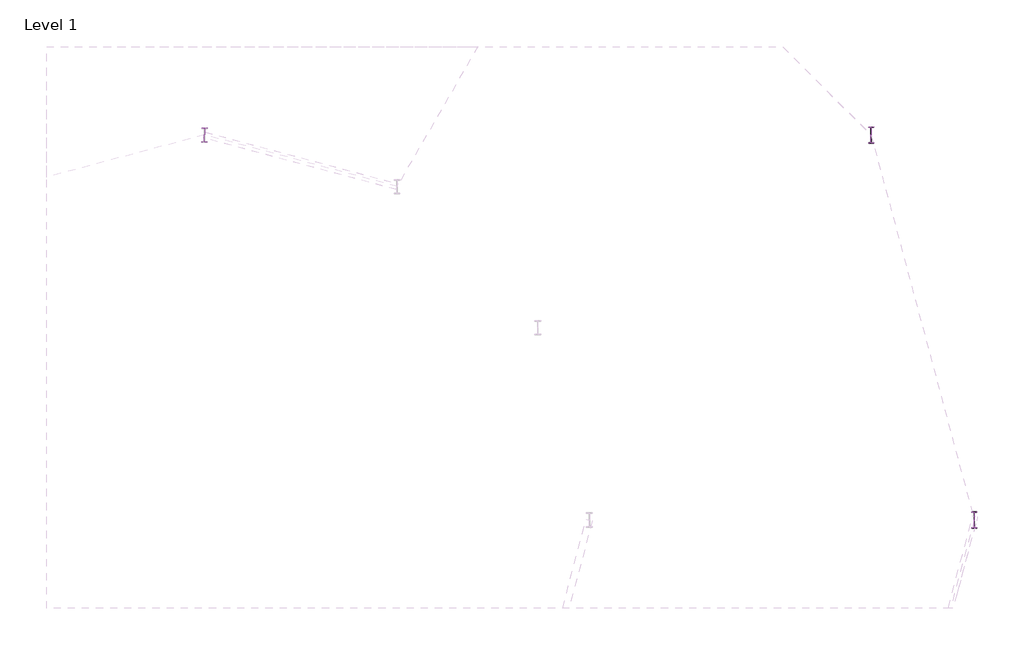
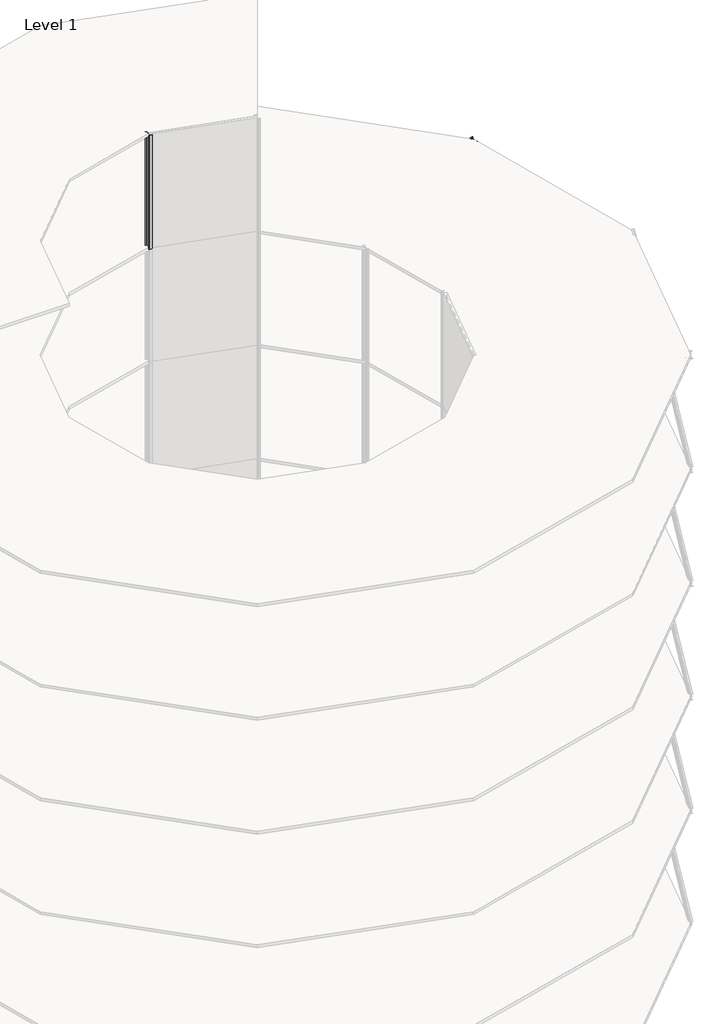
# One storey, part 8 of 9: 19 columns.
"""IFC4 building model written with IfcOpenShell, lengths in millimetres."""

from ifc_helpers import new_model, si_unit, point, frame, frame_2d, origin, origin_with_axes, place, context, project, spatial, polyline, circle_curve, ellipse_curve, trimmed, segment, composite_curve, outline, extrude, element, save
from ifc_brep_helpers import plane_surface, revolved_surface, advanced_brep

model = new_model("IFC4")

# Units and contexts
model_context = context("Model", 3, world=origin())
ifc_project = project(units=[si_unit("LENGTHUNIT", "METRE", prefix="MILLI")], contexts=[model_context])

# Site, building, storey
site = spatial("IfcSite", under=ifc_project)
building = spatial("IfcBuilding", under=site)
storey = spatial("IfcBuildingStorey", under=building, Name="Level 1", Elevation=0.0)

# Columns
placement = place(None, origin())
element("IfcColumn", 1, ObjectType="w shapes-column : W18X60", at=placement, inside=storey, context=model_context, shape_type="SweptSolid", body=[
    extrude(outline(composite_curve([segment(polyline([(96.012, 12731.1404), (96.012, 12713.3604), (15.494, 12713.3604)]), True, "CONTINUOUS"), segment(trimmed(circle_curve(frame_2d((15.494, 12703.2004)), 10.16), [point((15.494, 12713.3604))], [point((5.334, 12703.2004))], True, "CARTESIAN"), True, "CONTINUOUS"), segment(polyline([(5.334, 12703.2004), (5.334, 12296.8004)]), True, "CONTINUOUS"), segment(trimmed(circle_curve(frame_2d((15.494, 12296.8004)), 10.16), [point((5.334, 12296.8004))], [point((15.494, 12286.6404))], True, "CARTESIAN"), True, "CONTINUOUS"), segment(polyline([(15.494, 12286.6404), (96.012, 12286.6404), (96.012, 12268.8604), (-96.012, 12268.8604), (-96.012, 12286.6404), (-15.494, 12286.6404)]), True, "CONTINUOUS"), segment(trimmed(circle_curve(frame_2d((-15.494, 12296.8004)), 10.16), [point((-15.494, 12286.6404))], [point((-5.334, 12296.8004))], True, "CARTESIAN"), True, "CONTINUOUS"), segment(polyline([(-5.334, 12296.8004), (-5.334, 12703.2004)]), True, "CONTINUOUS"), segment(trimmed(circle_curve(frame_2d((-15.494, 12703.2004)), 10.16), [point((-5.334, 12703.2004))], [point((-15.494, 12713.3604))], True, "CARTESIAN"), True, "CONTINUOUS"), segment(polyline([(-15.494, 12713.3604), (-96.012, 12713.3604), (-96.012, 12731.1404), (96.012, 12731.1404)]), True, "CONTINUOUS")], self_intersect=False)), frame((0.0, 0.0, 48000.001536), z_axis=(0.0, 0.0, 1.0), x_axis=(1.0, 0.0, 0.0)), (0.0, 0.0, 1.0), 8000.000256),
])
element("IfcColumn", 2, ObjectType="w shapes-column : W21X50", at=placement, inside=storey, context=model_context, shape_type="SweptSolid", body=[
    extrude(outline(composite_curve([segment(polyline([(25082.9318, 264.16), (25082.9318, 250.444), (25017.5268, 250.444)]), True, "CONTINUOUS"), segment(trimmed(circle_curve(frame_2d((25017.5268, 237.744)), 12.7), [point((25017.5268, 250.444))], [point((25004.8268, 237.744))], True, "CARTESIAN"), True, "CONTINUOUS"), segment(polyline([(25004.8268, 237.744), (25004.8268, -237.744)]), True, "CONTINUOUS"), segment(trimmed(circle_curve(frame_2d((25017.5268, -237.744)), 12.7), [point((25004.8268, -237.744))], [point((25017.5268, -250.444))], True, "CARTESIAN"), True, "CONTINUOUS"), segment(polyline([(25017.5268, -250.444), (25082.9318, -250.444), (25082.9318, -264.16), (24917.0698, -264.16), (24917.0698, -250.444), (24982.4748, -250.444)]), True, "CONTINUOUS"), segment(trimmed(circle_curve(frame_2d((24982.4748, -237.744)), 12.7), [point((24982.4748, -250.444))], [point((24995.1748, -237.744))], True, "CARTESIAN"), True, "CONTINUOUS"), segment(polyline([(24995.1748, -237.744), (24995.1748, 237.744)]), True, "CONTINUOUS"), segment(trimmed(circle_curve(frame_2d((24982.4748, 237.744)), 12.7), [point((24995.1748, 237.744))], [point((24982.4748, 250.444))], True, "CARTESIAN"), True, "CONTINUOUS"), segment(polyline([(24982.4748, 250.444), (24917.0698, 250.444), (24917.0698, 264.16), (25082.9318, 264.16)]), True, "CONTINUOUS")], self_intersect=False)), origin_with_axes(), (0.0, 0.0, 1.0), 8000.000256),
])
element("IfcColumn", 3, ObjectType="w shapes-column : W21X50", at=placement, inside=storey, context=model_context, shape_type="SweptSolid", body=[
    extrude(outline(composite_curve([segment(polyline([(25082.9318, 264.16), (25082.9318, 250.444), (25017.5268, 250.444)]), True, "CONTINUOUS"), segment(trimmed(circle_curve(frame_2d((25017.5268, 237.744)), 12.7), [point((25017.5268, 250.444))], [point((25004.8268, 237.744))], True, "CARTESIAN"), True, "CONTINUOUS"), segment(polyline([(25004.8268, 237.744), (25004.8268, -237.744)]), True, "CONTINUOUS"), segment(trimmed(circle_curve(frame_2d((25017.5268, -237.744)), 12.7), [point((25004.8268, -237.744))], [point((25017.5268, -250.444))], True, "CARTESIAN"), True, "CONTINUOUS"), segment(polyline([(25017.5268, -250.444), (25082.9318, -250.444), (25082.9318, -264.16), (24917.0698, -264.16), (24917.0698, -250.444), (24982.4748, -250.444)]), True, "CONTINUOUS"), segment(trimmed(circle_curve(frame_2d((24982.4748, -237.744)), 12.7), [point((24982.4748, -250.444))], [point((24995.1748, -237.744))], True, "CARTESIAN"), True, "CONTINUOUS"), segment(polyline([(24995.1748, -237.744), (24995.1748, 237.744)]), True, "CONTINUOUS"), segment(trimmed(circle_curve(frame_2d((24982.4748, 237.744)), 12.7), [point((24995.1748, 237.744))], [point((24982.4748, 250.444))], True, "CARTESIAN"), True, "CONTINUOUS"), segment(polyline([(24982.4748, 250.444), (24917.0698, 250.444), (24917.0698, 264.16), (25082.9318, 264.16)]), True, "CONTINUOUS")], self_intersect=False)), frame((0.0, 0.0, 8000.000256), z_axis=(0.0, 0.0, 1.0), x_axis=(1.0, 0.0, 0.0)), (0.0, 0.0, 1.0), 8000.000256),
])
element("IfcColumn", 4, ObjectType="w shapes-column : W21X50", at=placement, inside=storey, context=model_context, shape_type="SweptSolid", body=[
    extrude(outline(composite_curve([segment(polyline([(25082.9318, 264.16), (25082.9318, 250.444), (25017.5268, 250.444)]), True, "CONTINUOUS"), segment(trimmed(circle_curve(frame_2d((25017.5268, 237.744)), 12.7), [point((25017.5268, 250.444))], [point((25004.8268, 237.744))], True, "CARTESIAN"), True, "CONTINUOUS"), segment(polyline([(25004.8268, 237.744), (25004.8268, -237.744)]), True, "CONTINUOUS"), segment(trimmed(circle_curve(frame_2d((25017.5268, -237.744)), 12.7), [point((25004.8268, -237.744))], [point((25017.5268, -250.444))], True, "CARTESIAN"), True, "CONTINUOUS"), segment(polyline([(25017.5268, -250.444), (25082.9318, -250.444), (25082.9318, -264.16), (24917.0698, -264.16), (24917.0698, -250.444), (24982.4748, -250.444)]), True, "CONTINUOUS"), segment(trimmed(circle_curve(frame_2d((24982.4748, -237.744)), 12.7), [point((24982.4748, -250.444))], [point((24995.1748, -237.744))], True, "CARTESIAN"), True, "CONTINUOUS"), segment(polyline([(24995.1748, -237.744), (24995.1748, 237.744)]), True, "CONTINUOUS"), segment(trimmed(circle_curve(frame_2d((24982.4748, 237.744)), 12.7), [point((24995.1748, 237.744))], [point((24982.4748, 250.444))], True, "CARTESIAN"), True, "CONTINUOUS"), segment(polyline([(24982.4748, 250.444), (24917.0698, 250.444), (24917.0698, 264.16), (25082.9318, 264.16)]), True, "CONTINUOUS")], self_intersect=False)), frame((0.0, 0.0, 16000.000512), z_axis=(0.0, 0.0, 1.0), x_axis=(1.0, 0.0, 0.0)), (0.0, 0.0, 1.0), 8000.000256),
])
element("IfcColumn", 5, ObjectType="w shapes-column : W21X50", at=placement, inside=storey, context=model_context, shape_type="SweptSolid", body=[
    extrude(outline(composite_curve([segment(polyline([(25082.9318, 264.16), (25082.9318, 250.444), (25017.5268, 250.444)]), True, "CONTINUOUS"), segment(trimmed(circle_curve(frame_2d((25017.5268, 237.744)), 12.7), [point((25017.5268, 250.444))], [point((25004.8268, 237.744))], True, "CARTESIAN"), True, "CONTINUOUS"), segment(polyline([(25004.8268, 237.744), (25004.8268, -237.744)]), True, "CONTINUOUS"), segment(trimmed(circle_curve(frame_2d((25017.5268, -237.744)), 12.7), [point((25004.8268, -237.744))], [point((25017.5268, -250.444))], True, "CARTESIAN"), True, "CONTINUOUS"), segment(polyline([(25017.5268, -250.444), (25082.9318, -250.444), (25082.9318, -264.16), (24917.0698, -264.16), (24917.0698, -250.444), (24982.4748, -250.444)]), True, "CONTINUOUS"), segment(trimmed(circle_curve(frame_2d((24982.4748, -237.744)), 12.7), [point((24982.4748, -250.444))], [point((24995.1748, -237.744))], True, "CARTESIAN"), True, "CONTINUOUS"), segment(polyline([(24995.1748, -237.744), (24995.1748, 237.744)]), True, "CONTINUOUS"), segment(trimmed(circle_curve(frame_2d((24982.4748, 237.744)), 12.7), [point((24995.1748, 237.744))], [point((24982.4748, 250.444))], True, "CARTESIAN"), True, "CONTINUOUS"), segment(polyline([(24982.4748, 250.444), (24917.0698, 250.444), (24917.0698, 264.16), (25082.9318, 264.16)]), True, "CONTINUOUS")], self_intersect=False)), frame((0.0, 0.0, 24000.000768), z_axis=(0.0, 0.0, 1.0), x_axis=(1.0, 0.0, 0.0)), (0.0, 0.0, 1.0), 8000.000256),
])
element("IfcColumn", 6, ObjectType="w shapes-column : W21X50", at=placement, inside=storey, context=model_context, shape_type="SweptSolid", body=[
    extrude(outline(composite_curve([segment(polyline([(25082.9318, 264.16), (25082.9318, 250.444), (25017.5268, 250.444)]), True, "CONTINUOUS"), segment(trimmed(circle_curve(frame_2d((25017.5268, 237.744)), 12.7), [point((25017.5268, 250.444))], [point((25004.8268, 237.744))], True, "CARTESIAN"), True, "CONTINUOUS"), segment(polyline([(25004.8268, 237.744), (25004.8268, -237.744)]), True, "CONTINUOUS"), segment(trimmed(circle_curve(frame_2d((25017.5268, -237.744)), 12.7), [point((25004.8268, -237.744))], [point((25017.5268, -250.444))], True, "CARTESIAN"), True, "CONTINUOUS"), segment(polyline([(25017.5268, -250.444), (25082.9318, -250.444), (25082.9318, -264.16), (24917.0698, -264.16), (24917.0698, -250.444), (24982.4748, -250.444)]), True, "CONTINUOUS"), segment(trimmed(circle_curve(frame_2d((24982.4748, -237.744)), 12.7), [point((24982.4748, -250.444))], [point((24995.1748, -237.744))], True, "CARTESIAN"), True, "CONTINUOUS"), segment(polyline([(24995.1748, -237.744), (24995.1748, 237.744)]), True, "CONTINUOUS"), segment(trimmed(circle_curve(frame_2d((24982.4748, 237.744)), 12.7), [point((24995.1748, 237.744))], [point((24982.4748, 250.444))], True, "CARTESIAN"), True, "CONTINUOUS"), segment(polyline([(24982.4748, 250.444), (24917.0698, 250.444), (24917.0698, 264.16), (25082.9318, 264.16)]), True, "CONTINUOUS")], self_intersect=False)), frame((0.0, 0.0, 32000.001024), z_axis=(0.0, 0.0, 1.0), x_axis=(1.0, 0.0, 0.0)), (0.0, 0.0, 1.0), 8000.000256),
])
element("IfcColumn", 7, ObjectType="w shapes-column : W21X50", at=placement, inside=storey, context=model_context, shape_type="AdvancedBrep", body=[
    advanced_brep(
    [(25082.9318, 250.444, 47880.6254568), (25082.9318, 264.16, 47888.8156662), (24917.0698, 264.16, 47862.2777462), (24917.0698, 250.444, 47854.0875368), (24982.4748, 250.444, 47864.5523368), (24995.1748, 237.744, 47859.0008095), (24995.1748, -237.744, 47575.0735496), (24982.4748, -250.444, 47565.4580224), (24917.0698, -250.444, 47554.9932224), (24917.0698, -264.16, 47546.8030129), (25082.9318, -264.16, 47573.3409329), (25082.9318, -250.444, 47581.5311424), (25017.5268, -250.444, 47571.0663424), (25004.8268, -237.744, 47576.6178696), (25004.8268, 237.744, 47860.5451295), (25017.5268, 250.444, 47870.1606568), (25082.9318, 264.16, 40000.00128), (25082.9318, 250.444, 40000.00128), (25017.5268, 250.444, 40000.00128), (25004.8268, 237.744, 40000.00128), (25004.8268, -237.744, 40000.00128), (25017.5268, -250.444, 40000.00128), (25082.9318, -250.444, 40000.00128), (25082.9318, -264.16, 40000.00128), (24917.0698, -264.16, 40000.00128), (24917.0698, -250.444, 40000.00128), (24982.4748, -250.444, 40000.00128), (24995.1748, -237.744, 40000.00128), (24995.1748, 237.744, 40000.00128), (24982.4748, 250.444, 40000.00128), (24917.0698, 250.444, 40000.00128), (24917.0698, 264.16, 40000.00128)],
    [
        (0, 1),
        (1, 2),
        (2, 3),
        (3, 4),
        (4, 5, ellipse_curve(frame((24982.4748, 237.744, 47856.9688095), z_axis=(0.13609447916846298, 0.5079115108863286, -0.8505904948028937), x_axis=(-0.22014901963816533, -0.8216073265261125, -0.5258286889767128)), 14.930804, 12.7)),
        (5, 6),
        (6, 7, ellipse_curve(frame((24982.4748, -237.744, 47573.0415496), z_axis=(0.13609447916846298, 0.5079115108863286, -0.8505904948028937), x_axis=(-0.22014901963816533, -0.8216073265261125, -0.5258286889767128)), 14.930804, 12.7)),
        (7, 8),
        (8, 9),
        (9, 10),
        (10, 11),
        (11, 12),
        (12, 13, ellipse_curve(frame((25017.5268, -237.744, 47578.6498696), z_axis=(0.13609447916846298, 0.5079115108863286, -0.8505904948028937), x_axis=(-0.22014901963816533, -0.8216073265261125, -0.5258286889767128)), 14.930804, 12.7)),
        (13, 14),
        (14, 15, ellipse_curve(frame((25017.5268, 237.744, 47862.5771295), z_axis=(0.13609447916846298, 0.5079115108863286, -0.8505904948028937), x_axis=(-0.22014901963816533, -0.8216073265261125, -0.5258286889767128)), 14.930804, 12.7)),
        (15, 0),
        (16, 17),
        (17, 18),
        (18, 19, circle_curve(frame((25017.5268, 237.744, 40000.00128), z_axis=(0.0, 0.0, 1.0), x_axis=(1.0, 0.0, 0.0)), 12.7)),
        (19, 20),
        (20, 21, circle_curve(frame((25017.5268, -237.744, 40000.00128), z_axis=(0.0, 0.0, 1.0), x_axis=(1.0, 0.0, 0.0)), 12.7)),
        (21, 22),
        (22, 23),
        (23, 24),
        (24, 25),
        (25, 26),
        (26, 27, circle_curve(frame((24982.4748, -237.744, 40000.00128), z_axis=(0.0, 0.0, 1.0), x_axis=(1.0, 0.0, 0.0)), 12.7)),
        (27, 28),
        (28, 29, circle_curve(frame((24982.4748, 237.744, 40000.00128), z_axis=(0.0, 0.0, 1.0), x_axis=(1.0, 0.0, 0.0)), 12.7)),
        (29, 30),
        (30, 31),
        (31, 16),
        (0, 17),
        (16, 1),
        (15, 18),
        (14, 19),
        (13, 20),
        (12, 21),
        (11, 22),
        (10, 23),
        (9, 24),
        (8, 25),
        (7, 26),
        (6, 27),
        (5, 28),
        (4, 29),
        (3, 30),
        (2, 31),
    ],
    [
        plane_surface(frame((25001.7291999, 6.4504762, 47721.9376443), z_axis=(-0.136094479168463, -0.5079115108863287, 0.850590494802894), x_axis=(0.9906958628862165, -0.06977313131838632, 0.11684783868845171))),
        plane_surface(frame((24917.0698, 264.16, 40000.00128), z_axis=(0.0, 0.0, -1.0), x_axis=(1.0, 0.0, 0.0))),
        plane_surface(frame((25082.9318, 250.444, 48368.8204077), z_axis=(1.0, 0.0, 0.0), x_axis=(0.0, 0.0, -1.0))),
        plane_surface(frame((25017.5268, 250.444, 48368.8204077), z_axis=(0.0, -1.0, 0.0), x_axis=(0.0, 0.0, -1.0))),
        revolved_surface(polyline([(25030.2268, 237.744, 40000.00128), (25030.2268, 237.744, 47870.428174592686)]), (25017.5268, 237.744, 40000.00128), (0.0, 0.0, -1.0)),
        plane_surface(frame((25004.8268, -237.744, 48368.8204077), z_axis=(1.0, 0.0, 0.0), x_axis=(0.0, 0.0, -1.0))),
        revolved_surface(polyline([(25030.2268, -237.744, 40000.00128), (25030.2268, -237.744, 47586.50091469269)]), (25017.5268, -237.744, 40000.00128), (0.0, 0.0, -1.0)),
        plane_surface(frame((25082.9318, -250.444, 48368.8204077), z_axis=(0.0, 1.0, 0.0), x_axis=(0.0, 0.0, -1.0))),
        plane_surface(frame((25082.9318, -264.16, 48368.8204077), z_axis=(1.0, 0.0, 0.0), x_axis=(0.0, 0.0, -1.0))),
        plane_surface(frame((24917.0698, -264.16, 48368.8204077), z_axis=(0.0, -1.0, 0.0), x_axis=(0.0, 0.0, -1.0))),
        plane_surface(frame((24917.0698, -250.444, 48368.8204077), z_axis=(-1.0, 0.0, 0.0), x_axis=(0.0, 0.0, -1.0))),
        plane_surface(frame((24982.4748, -250.444, 48368.8204077), z_axis=(0.0, 1.0, 0.0), x_axis=(0.0, 0.0, -1.0))),
        revolved_surface(polyline([(24995.1748, -237.744, 40000.00128), (24995.1748, -237.744, 47580.89259469269)]), (24982.4748, -237.744, 40000.00128), (0.0, 0.0, -1.0)),
        plane_surface(frame((24995.1748, 237.744, 48368.8204077), z_axis=(-1.0, 0.0, 0.0), x_axis=(0.0, 0.0, -1.0))),
        revolved_surface(polyline([(24995.1748, 237.744, 40000.00128), (24995.1748, 237.744, 47864.819854592686)]), (24982.4748, 237.744, 40000.00128), (0.0, 0.0, -1.0)),
        plane_surface(frame((24917.0698, 250.444, 48368.8204077), z_axis=(0.0, -1.0, 0.0), x_axis=(0.0, 0.0, -1.0))),
        plane_surface(frame((24917.0698, 264.16, 48368.8204077), z_axis=(-1.0, 0.0, 0.0), x_axis=(0.0, 0.0, -1.0))),
        plane_surface(frame((25082.9318, 264.16, 48368.8204077), z_axis=(0.0, 1.0, 0.0), x_axis=(0.0, 0.0, -1.0))),
    ],
    [
        (0, [[1, 2, 3, 4, 5, 6, 7, 8, 9, 10, 11, 12, 13, 14, 15, 16]]),
        (1, [[17, 18, 19, 20, 21, 22, 23, 24, 25, 26, 27, 28, 29, 30, 31, 32]]),
        (2, [[33, -17, 34, -1]]),
        (3, [[35, -18, -33, -16]]),
        (4, [[36, -19, -35, -15]]),
        (5, [[37, -20, -36, -14]]),
        (6, [[38, -21, -37, -13]]),
        (7, [[39, -22, -38, -12]]),
        (8, [[40, -23, -39, -11]]),
        (9, [[41, -24, -40, -10]]),
        (10, [[42, -25, -41, -9]]),
        (11, [[43, -26, -42, -8]]),
        (12, [[44, -27, -43, -7]]),
        (13, [[45, -28, -44, -6]]),
        (14, [[46, -29, -45, -5]]),
        (15, [[47, -30, -46, -4]]),
        (16, [[48, -31, -47, -3]]),
        (17, [[-34, -32, -48, -2]]),
    ],
),
])
element("IfcColumn", 8, ObjectType="w shapes-column : W21X50", at=placement, inside=storey, context=model_context, shape_type="SweptSolid", body=[
    extrude(outline(composite_curve([segment(polyline([(21733.5667874, 12764.1604), (21733.5667874, 12750.4444), (21668.1617874, 12750.4444)]), True, "CONTINUOUS"), segment(trimmed(circle_curve(frame_2d((21668.1617874, 12737.7444)), 12.7), [point((21668.1617874, 12750.4444))], [point((21655.4617874, 12737.7444))], True, "CARTESIAN"), True, "CONTINUOUS"), segment(polyline([(21655.4617874, 12737.7444), (21655.4617874, 12262.2564)]), True, "CONTINUOUS"), segment(trimmed(circle_curve(frame_2d((21668.1617874, 12262.2564)), 12.7), [point((21655.4617874, 12262.2564))], [point((21668.1617874, 12249.5564))], True, "CARTESIAN"), True, "CONTINUOUS"), segment(polyline([(21668.1617874, 12249.5564), (21733.5667874, 12249.5564), (21733.5667874, 12235.8404), (21567.7047874, 12235.8404), (21567.7047874, 12249.5564), (21633.1097874, 12249.5564)]), True, "CONTINUOUS"), segment(trimmed(circle_curve(frame_2d((21633.1097874, 12262.2564)), 12.7), [point((21633.1097874, 12249.5564))], [point((21645.8097874, 12262.2564))], True, "CARTESIAN"), True, "CONTINUOUS"), segment(polyline([(21645.8097874, 12262.2564), (21645.8097874, 12737.7444)]), True, "CONTINUOUS"), segment(trimmed(circle_curve(frame_2d((21633.1097874, 12737.7444)), 12.7), [point((21645.8097874, 12737.7444))], [point((21633.1097874, 12750.4444))], True, "CARTESIAN"), True, "CONTINUOUS"), segment(polyline([(21633.1097874, 12750.4444), (21567.7047874, 12750.4444), (21567.7047874, 12764.1604), (21733.5667874, 12764.1604)]), True, "CONTINUOUS")], self_intersect=False)), origin_with_axes(), (0.0, 0.0, 1.0), 8000.000256),
])
element("IfcColumn", 9, ObjectType="w shapes-column : W21X50", at=placement, inside=storey, context=model_context, shape_type="SweptSolid", body=[
    extrude(outline(composite_curve([segment(polyline([(21733.5667874, 12764.1604), (21733.5667874, 12750.4444), (21668.1617874, 12750.4444)]), True, "CONTINUOUS"), segment(trimmed(circle_curve(frame_2d((21668.1617874, 12737.7444)), 12.7), [point((21668.1617874, 12750.4444))], [point((21655.4617874, 12737.7444))], True, "CARTESIAN"), True, "CONTINUOUS"), segment(polyline([(21655.4617874, 12737.7444), (21655.4617874, 12262.2564)]), True, "CONTINUOUS"), segment(trimmed(circle_curve(frame_2d((21668.1617874, 12262.2564)), 12.7), [point((21655.4617874, 12262.2564))], [point((21668.1617874, 12249.5564))], True, "CARTESIAN"), True, "CONTINUOUS"), segment(polyline([(21668.1617874, 12249.5564), (21733.5667874, 12249.5564), (21733.5667874, 12235.8404), (21567.7047874, 12235.8404), (21567.7047874, 12249.5564), (21633.1097874, 12249.5564)]), True, "CONTINUOUS"), segment(trimmed(circle_curve(frame_2d((21633.1097874, 12262.2564)), 12.7), [point((21633.1097874, 12249.5564))], [point((21645.8097874, 12262.2564))], True, "CARTESIAN"), True, "CONTINUOUS"), segment(polyline([(21645.8097874, 12262.2564), (21645.8097874, 12737.7444)]), True, "CONTINUOUS"), segment(trimmed(circle_curve(frame_2d((21633.1097874, 12737.7444)), 12.7), [point((21645.8097874, 12737.7444))], [point((21633.1097874, 12750.4444))], True, "CARTESIAN"), True, "CONTINUOUS"), segment(polyline([(21633.1097874, 12750.4444), (21567.7047874, 12750.4444), (21567.7047874, 12764.1604), (21733.5667874, 12764.1604)]), True, "CONTINUOUS")], self_intersect=False)), frame((0.0, 0.0, 8000.000256), z_axis=(0.0, 0.0, 1.0), x_axis=(1.0, 0.0, 0.0)), (0.0, 0.0, 1.0), 8000.000256),
])
element("IfcColumn", 10, ObjectType="w shapes-column : W21X50", at=placement, inside=storey, context=model_context, shape_type="SweptSolid", body=[
    extrude(outline(composite_curve([segment(polyline([(21733.5667874, 12764.1604), (21733.5667874, 12750.4444), (21668.1617874, 12750.4444)]), True, "CONTINUOUS"), segment(trimmed(circle_curve(frame_2d((21668.1617874, 12737.7444)), 12.7), [point((21668.1617874, 12750.4444))], [point((21655.4617874, 12737.7444))], True, "CARTESIAN"), True, "CONTINUOUS"), segment(polyline([(21655.4617874, 12737.7444), (21655.4617874, 12262.2564)]), True, "CONTINUOUS"), segment(trimmed(circle_curve(frame_2d((21668.1617874, 12262.2564)), 12.7), [point((21655.4617874, 12262.2564))], [point((21668.1617874, 12249.5564))], True, "CARTESIAN"), True, "CONTINUOUS"), segment(polyline([(21668.1617874, 12249.5564), (21733.5667874, 12249.5564), (21733.5667874, 12235.8404), (21567.7047874, 12235.8404), (21567.7047874, 12249.5564), (21633.1097874, 12249.5564)]), True, "CONTINUOUS"), segment(trimmed(circle_curve(frame_2d((21633.1097874, 12262.2564)), 12.7), [point((21633.1097874, 12249.5564))], [point((21645.8097874, 12262.2564))], True, "CARTESIAN"), True, "CONTINUOUS"), segment(polyline([(21645.8097874, 12262.2564), (21645.8097874, 12737.7444)]), True, "CONTINUOUS"), segment(trimmed(circle_curve(frame_2d((21633.1097874, 12737.7444)), 12.7), [point((21645.8097874, 12737.7444))], [point((21633.1097874, 12750.4444))], True, "CARTESIAN"), True, "CONTINUOUS"), segment(polyline([(21633.1097874, 12750.4444), (21567.7047874, 12750.4444), (21567.7047874, 12764.1604), (21733.5667874, 12764.1604)]), True, "CONTINUOUS")], self_intersect=False)), frame((0.0, 0.0, 16000.000512), z_axis=(0.0, 0.0, 1.0), x_axis=(1.0, 0.0, 0.0)), (0.0, 0.0, 1.0), 8000.000256),
])
element("IfcColumn", 11, ObjectType="w shapes-column : W21X50", at=placement, inside=storey, context=model_context, shape_type="SweptSolid", body=[
    extrude(outline(composite_curve([segment(polyline([(21733.5667874, 12764.1604), (21733.5667874, 12750.4444), (21668.1617874, 12750.4444)]), True, "CONTINUOUS"), segment(trimmed(circle_curve(frame_2d((21668.1617874, 12737.7444)), 12.7), [point((21668.1617874, 12750.4444))], [point((21655.4617874, 12737.7444))], True, "CARTESIAN"), True, "CONTINUOUS"), segment(polyline([(21655.4617874, 12737.7444), (21655.4617874, 12262.2564)]), True, "CONTINUOUS"), segment(trimmed(circle_curve(frame_2d((21668.1617874, 12262.2564)), 12.7), [point((21655.4617874, 12262.2564))], [point((21668.1617874, 12249.5564))], True, "CARTESIAN"), True, "CONTINUOUS"), segment(polyline([(21668.1617874, 12249.5564), (21733.5667874, 12249.5564), (21733.5667874, 12235.8404), (21567.7047874, 12235.8404), (21567.7047874, 12249.5564), (21633.1097874, 12249.5564)]), True, "CONTINUOUS"), segment(trimmed(circle_curve(frame_2d((21633.1097874, 12262.2564)), 12.7), [point((21633.1097874, 12249.5564))], [point((21645.8097874, 12262.2564))], True, "CARTESIAN"), True, "CONTINUOUS"), segment(polyline([(21645.8097874, 12262.2564), (21645.8097874, 12737.7444)]), True, "CONTINUOUS"), segment(trimmed(circle_curve(frame_2d((21633.1097874, 12737.7444)), 12.7), [point((21645.8097874, 12737.7444))], [point((21633.1097874, 12750.4444))], True, "CARTESIAN"), True, "CONTINUOUS"), segment(polyline([(21633.1097874, 12750.4444), (21567.7047874, 12750.4444), (21567.7047874, 12764.1604), (21733.5667874, 12764.1604)]), True, "CONTINUOUS")], self_intersect=False)), frame((0.0, 0.0, 24000.000768), z_axis=(0.0, 0.0, 1.0), x_axis=(1.0, 0.0, 0.0)), (0.0, 0.0, 1.0), 8000.000256),
])
element("IfcColumn", 12, ObjectType="w shapes-column : W21X50", at=placement, inside=storey, context=model_context, shape_type="SweptSolid", body=[
    extrude(outline(composite_curve([segment(polyline([(21733.5667874, 12764.1604), (21733.5667874, 12750.4444), (21668.1617874, 12750.4444)]), True, "CONTINUOUS"), segment(trimmed(circle_curve(frame_2d((21668.1617874, 12737.7444)), 12.7), [point((21668.1617874, 12750.4444))], [point((21655.4617874, 12737.7444))], True, "CARTESIAN"), True, "CONTINUOUS"), segment(polyline([(21655.4617874, 12737.7444), (21655.4617874, 12262.2564)]), True, "CONTINUOUS"), segment(trimmed(circle_curve(frame_2d((21668.1617874, 12262.2564)), 12.7), [point((21655.4617874, 12262.2564))], [point((21668.1617874, 12249.5564))], True, "CARTESIAN"), True, "CONTINUOUS"), segment(polyline([(21668.1617874, 12249.5564), (21733.5667874, 12249.5564), (21733.5667874, 12235.8404), (21567.7047874, 12235.8404), (21567.7047874, 12249.5564), (21633.1097874, 12249.5564)]), True, "CONTINUOUS"), segment(trimmed(circle_curve(frame_2d((21633.1097874, 12262.2564)), 12.7), [point((21633.1097874, 12249.5564))], [point((21645.8097874, 12262.2564))], True, "CARTESIAN"), True, "CONTINUOUS"), segment(polyline([(21645.8097874, 12262.2564), (21645.8097874, 12737.7444)]), True, "CONTINUOUS"), segment(trimmed(circle_curve(frame_2d((21633.1097874, 12737.7444)), 12.7), [point((21645.8097874, 12737.7444))], [point((21633.1097874, 12750.4444))], True, "CARTESIAN"), True, "CONTINUOUS"), segment(polyline([(21633.1097874, 12750.4444), (21567.7047874, 12750.4444), (21567.7047874, 12764.1604), (21733.5667874, 12764.1604)]), True, "CONTINUOUS")], self_intersect=False)), frame((0.0, 0.0, 32000.001024), z_axis=(0.0, 0.0, 1.0), x_axis=(1.0, 0.0, 0.0)), (0.0, 0.0, 1.0), 8000.000256),
])
element("IfcColumn", 13, ObjectType="w shapes-column : W21X50", at=placement, inside=storey, context=model_context, shape_type="SweptSolid", body=[
    extrude(outline(composite_curve([segment(polyline([(21733.5667874, 12764.1604), (21733.5667874, 12750.4444), (21668.1617874, 12750.4444)]), True, "CONTINUOUS"), segment(trimmed(circle_curve(frame_2d((21668.1617874, 12737.7444)), 12.7), [point((21668.1617874, 12750.4444))], [point((21655.4617874, 12737.7444))], True, "CARTESIAN"), True, "CONTINUOUS"), segment(polyline([(21655.4617874, 12737.7444), (21655.4617874, 12262.2564)]), True, "CONTINUOUS"), segment(trimmed(circle_curve(frame_2d((21668.1617874, 12262.2564)), 12.7), [point((21655.4617874, 12262.2564))], [point((21668.1617874, 12249.5564))], True, "CARTESIAN"), True, "CONTINUOUS"), segment(polyline([(21668.1617874, 12249.5564), (21733.5667874, 12249.5564), (21733.5667874, 12235.8404), (21567.7047874, 12235.8404), (21567.7047874, 12249.5564), (21633.1097874, 12249.5564)]), True, "CONTINUOUS"), segment(trimmed(circle_curve(frame_2d((21633.1097874, 12262.2564)), 12.7), [point((21633.1097874, 12249.5564))], [point((21645.8097874, 12262.2564))], True, "CARTESIAN"), True, "CONTINUOUS"), segment(polyline([(21645.8097874, 12262.2564), (21645.8097874, 12737.7444)]), True, "CONTINUOUS"), segment(trimmed(circle_curve(frame_2d((21633.1097874, 12737.7444)), 12.7), [point((21645.8097874, 12737.7444))], [point((21633.1097874, 12750.4444))], True, "CARTESIAN"), True, "CONTINUOUS"), segment(polyline([(21633.1097874, 12750.4444), (21567.7047874, 12750.4444), (21567.7047874, 12764.1604), (21733.5667874, 12764.1604)]), True, "CONTINUOUS")], self_intersect=False)), frame((0.0, 0.0, 40000.00128), z_axis=(0.0, 0.0, 1.0), x_axis=(1.0, 0.0, 0.0)), (0.0, 0.0, 1.0), 8000.000256),
])
element("IfcColumn", 14, ObjectType="w shapes-column : W21X50", at=placement, inside=storey, context=model_context, shape_type="SweptSolid", body=[
    extrude(outline(composite_curve([segment(polyline([(25082.9318, 264.16), (25082.9318, 250.444), (25017.5268, 250.444)]), True, "CONTINUOUS"), segment(trimmed(circle_curve(frame_2d((25017.5268, 237.744)), 12.7), [point((25017.5268, 250.444))], [point((25004.8268, 237.744))], True, "CARTESIAN"), True, "CONTINUOUS"), segment(polyline([(25004.8268, 237.744), (25004.8268, -237.744)]), True, "CONTINUOUS"), segment(trimmed(circle_curve(frame_2d((25017.5268, -237.744)), 12.7), [point((25004.8268, -237.744))], [point((25017.5268, -250.444))], True, "CARTESIAN"), True, "CONTINUOUS"), segment(polyline([(25017.5268, -250.444), (25082.9318, -250.444), (25082.9318, -264.16), (24917.0698, -264.16), (24917.0698, -250.444), (24982.4748, -250.444)]), True, "CONTINUOUS"), segment(trimmed(circle_curve(frame_2d((24982.4748, -237.744)), 12.7), [point((24982.4748, -250.444))], [point((24995.1748, -237.744))], True, "CARTESIAN"), True, "CONTINUOUS"), segment(polyline([(24995.1748, -237.744), (24995.1748, 237.744)]), True, "CONTINUOUS"), segment(trimmed(circle_curve(frame_2d((24982.4748, 237.744)), 12.7), [point((24995.1748, 237.744))], [point((24982.4748, 250.444))], True, "CARTESIAN"), True, "CONTINUOUS"), segment(polyline([(24982.4748, 250.444), (24917.0698, 250.444), (24917.0698, 264.16), (25082.9318, 264.16)]), True, "CONTINUOUS")], self_intersect=False)), origin_with_axes(), (0.0, 0.0, 1.0), 8000.000256),
])
element("IfcColumn", 15, ObjectType="w shapes-column : W21X50", at=placement, inside=storey, context=model_context, shape_type="SweptSolid", body=[
    extrude(outline(composite_curve([segment(polyline([(25082.9318, 264.16), (25082.9318, 250.444), (25017.5268, 250.444)]), True, "CONTINUOUS"), segment(trimmed(circle_curve(frame_2d((25017.5268, 237.744)), 12.7), [point((25017.5268, 250.444))], [point((25004.8268, 237.744))], True, "CARTESIAN"), True, "CONTINUOUS"), segment(polyline([(25004.8268, 237.744), (25004.8268, -237.744)]), True, "CONTINUOUS"), segment(trimmed(circle_curve(frame_2d((25017.5268, -237.744)), 12.7), [point((25004.8268, -237.744))], [point((25017.5268, -250.444))], True, "CARTESIAN"), True, "CONTINUOUS"), segment(polyline([(25017.5268, -250.444), (25082.9318, -250.444), (25082.9318, -264.16), (24917.0698, -264.16), (24917.0698, -250.444), (24982.4748, -250.444)]), True, "CONTINUOUS"), segment(trimmed(circle_curve(frame_2d((24982.4748, -237.744)), 12.7), [point((24982.4748, -250.444))], [point((24995.1748, -237.744))], True, "CARTESIAN"), True, "CONTINUOUS"), segment(polyline([(24995.1748, -237.744), (24995.1748, 237.744)]), True, "CONTINUOUS"), segment(trimmed(circle_curve(frame_2d((24982.4748, 237.744)), 12.7), [point((24995.1748, 237.744))], [point((24982.4748, 250.444))], True, "CARTESIAN"), True, "CONTINUOUS"), segment(polyline([(24982.4748, 250.444), (24917.0698, 250.444), (24917.0698, 264.16), (25082.9318, 264.16)]), True, "CONTINUOUS")], self_intersect=False)), frame((0.0, 0.0, 8000.000256), z_axis=(0.0, 0.0, 1.0), x_axis=(1.0, 0.0, 0.0)), (0.0, 0.0, 1.0), 8000.000256),
])
element("IfcColumn", 16, ObjectType="w shapes-column : W21X50", at=placement, inside=storey, context=model_context, shape_type="SweptSolid", body=[
    extrude(outline(composite_curve([segment(polyline([(25082.9318, 264.16), (25082.9318, 250.444), (25017.5268, 250.444)]), True, "CONTINUOUS"), segment(trimmed(circle_curve(frame_2d((25017.5268, 237.744)), 12.7), [point((25017.5268, 250.444))], [point((25004.8268, 237.744))], True, "CARTESIAN"), True, "CONTINUOUS"), segment(polyline([(25004.8268, 237.744), (25004.8268, -237.744)]), True, "CONTINUOUS"), segment(trimmed(circle_curve(frame_2d((25017.5268, -237.744)), 12.7), [point((25004.8268, -237.744))], [point((25017.5268, -250.444))], True, "CARTESIAN"), True, "CONTINUOUS"), segment(polyline([(25017.5268, -250.444), (25082.9318, -250.444), (25082.9318, -264.16), (24917.0698, -264.16), (24917.0698, -250.444), (24982.4748, -250.444)]), True, "CONTINUOUS"), segment(trimmed(circle_curve(frame_2d((24982.4748, -237.744)), 12.7), [point((24982.4748, -250.444))], [point((24995.1748, -237.744))], True, "CARTESIAN"), True, "CONTINUOUS"), segment(polyline([(24995.1748, -237.744), (24995.1748, 237.744)]), True, "CONTINUOUS"), segment(trimmed(circle_curve(frame_2d((24982.4748, 237.744)), 12.7), [point((24995.1748, 237.744))], [point((24982.4748, 250.444))], True, "CARTESIAN"), True, "CONTINUOUS"), segment(polyline([(24982.4748, 250.444), (24917.0698, 250.444), (24917.0698, 264.16), (25082.9318, 264.16)]), True, "CONTINUOUS")], self_intersect=False)), frame((0.0, 0.0, 16000.000512), z_axis=(0.0, 0.0, 1.0), x_axis=(1.0, 0.0, 0.0)), (0.0, 0.0, 1.0), 8000.000256),
])
element("IfcColumn", 17, ObjectType="w shapes-column : W21X50", at=placement, inside=storey, context=model_context, shape_type="SweptSolid", body=[
    extrude(outline(composite_curve([segment(polyline([(25082.9318, 264.16), (25082.9318, 250.444), (25017.5268, 250.444)]), True, "CONTINUOUS"), segment(trimmed(circle_curve(frame_2d((25017.5268, 237.744)), 12.7), [point((25017.5268, 250.444))], [point((25004.8268, 237.744))], True, "CARTESIAN"), True, "CONTINUOUS"), segment(polyline([(25004.8268, 237.744), (25004.8268, -237.744)]), True, "CONTINUOUS"), segment(trimmed(circle_curve(frame_2d((25017.5268, -237.744)), 12.7), [point((25004.8268, -237.744))], [point((25017.5268, -250.444))], True, "CARTESIAN"), True, "CONTINUOUS"), segment(polyline([(25017.5268, -250.444), (25082.9318, -250.444), (25082.9318, -264.16), (24917.0698, -264.16), (24917.0698, -250.444), (24982.4748, -250.444)]), True, "CONTINUOUS"), segment(trimmed(circle_curve(frame_2d((24982.4748, -237.744)), 12.7), [point((24982.4748, -250.444))], [point((24995.1748, -237.744))], True, "CARTESIAN"), True, "CONTINUOUS"), segment(polyline([(24995.1748, -237.744), (24995.1748, 237.744)]), True, "CONTINUOUS"), segment(trimmed(circle_curve(frame_2d((24982.4748, 237.744)), 12.7), [point((24995.1748, 237.744))], [point((24982.4748, 250.444))], True, "CARTESIAN"), True, "CONTINUOUS"), segment(polyline([(24982.4748, 250.444), (24917.0698, 250.444), (24917.0698, 264.16), (25082.9318, 264.16)]), True, "CONTINUOUS")], self_intersect=False)), frame((0.0, 0.0, 24000.000768), z_axis=(0.0, 0.0, 1.0), x_axis=(1.0, 0.0, 0.0)), (0.0, 0.0, 1.0), 8000.000256),
])
element("IfcColumn", 18, ObjectType="w shapes-column : W21X50", at=placement, inside=storey, context=model_context, shape_type="SweptSolid", body=[
    extrude(outline(composite_curve([segment(polyline([(25082.9318, 264.16), (25082.9318, 250.444), (25017.5268, 250.444)]), True, "CONTINUOUS"), segment(trimmed(circle_curve(frame_2d((25017.5268, 237.744)), 12.7), [point((25017.5268, 250.444))], [point((25004.8268, 237.744))], True, "CARTESIAN"), True, "CONTINUOUS"), segment(polyline([(25004.8268, 237.744), (25004.8268, -237.744)]), True, "CONTINUOUS"), segment(trimmed(circle_curve(frame_2d((25017.5268, -237.744)), 12.7), [point((25004.8268, -237.744))], [point((25017.5268, -250.444))], True, "CARTESIAN"), True, "CONTINUOUS"), segment(polyline([(25017.5268, -250.444), (25082.9318, -250.444), (25082.9318, -264.16), (24917.0698, -264.16), (24917.0698, -250.444), (24982.4748, -250.444)]), True, "CONTINUOUS"), segment(trimmed(circle_curve(frame_2d((24982.4748, -237.744)), 12.7), [point((24982.4748, -250.444))], [point((24995.1748, -237.744))], True, "CARTESIAN"), True, "CONTINUOUS"), segment(polyline([(24995.1748, -237.744), (24995.1748, 237.744)]), True, "CONTINUOUS"), segment(trimmed(circle_curve(frame_2d((24982.4748, 237.744)), 12.7), [point((24995.1748, 237.744))], [point((24982.4748, 250.444))], True, "CARTESIAN"), True, "CONTINUOUS"), segment(polyline([(24982.4748, 250.444), (24917.0698, 250.444), (24917.0698, 264.16), (25082.9318, 264.16)]), True, "CONTINUOUS")], self_intersect=False)), frame((0.0, 0.0, 32000.001024), z_axis=(0.0, 0.0, 1.0), x_axis=(1.0, 0.0, 0.0)), (0.0, 0.0, 1.0), 8000.000256),
])
element("IfcColumn", 19, ObjectType="w shapes-column : W21X50", at=placement, inside=storey, context=model_context, shape_type="AdvancedBrep", body=[
    advanced_brep(
    [(25082.9318, 250.444, 47880.6254568), (25082.9318, 264.16, 47888.8156662), (24917.0698, 264.16, 47862.2777462), (24917.0698, 250.444, 47854.0875368), (24982.4748, 250.444, 47864.5523368), (24995.1748, 237.744, 47859.0008095), (24995.1748, -237.744, 47575.0735496), (24982.4748, -250.444, 47565.4580224), (24917.0698, -250.444, 47554.9932224), (24917.0698, -264.16, 47546.8030129), (25082.9318, -264.16, 47573.3409329), (25082.9318, -250.444, 47581.5311424), (25017.5268, -250.444, 47571.0663424), (25004.8268, -237.744, 47576.6178696), (25004.8268, 237.744, 47860.5451295), (25017.5268, 250.444, 47870.1606568), (25082.9318, 264.16, 40000.00128), (25082.9318, 250.444, 40000.00128), (25017.5268, 250.444, 40000.00128), (25004.8268, 237.744, 40000.00128), (25004.8268, -237.744, 40000.00128), (25017.5268, -250.444, 40000.00128), (25082.9318, -250.444, 40000.00128), (25082.9318, -264.16, 40000.00128), (24917.0698, -264.16, 40000.00128), (24917.0698, -250.444, 40000.00128), (24982.4748, -250.444, 40000.00128), (24995.1748, -237.744, 40000.00128), (24995.1748, 237.744, 40000.00128), (24982.4748, 250.444, 40000.00128), (24917.0698, 250.444, 40000.00128), (24917.0698, 264.16, 40000.00128)],
    [
        (0, 1),
        (1, 2),
        (2, 3),
        (3, 4),
        (4, 5, ellipse_curve(frame((24982.4748, 237.744, 47856.9688095), z_axis=(0.13609447916846298, 0.5079115108863286, -0.8505904948028937), x_axis=(-0.22014901963816533, -0.8216073265261125, -0.5258286889767128)), 14.930804, 12.7)),
        (5, 6),
        (6, 7, ellipse_curve(frame((24982.4748, -237.744, 47573.0415496), z_axis=(0.13609447916846298, 0.5079115108863286, -0.8505904948028937), x_axis=(-0.22014901963816533, -0.8216073265261125, -0.5258286889767128)), 14.930804, 12.7)),
        (7, 8),
        (8, 9),
        (9, 10),
        (10, 11),
        (11, 12),
        (12, 13, ellipse_curve(frame((25017.5268, -237.744, 47578.6498696), z_axis=(0.13609447916846298, 0.5079115108863286, -0.8505904948028937), x_axis=(-0.22014901963816533, -0.8216073265261125, -0.5258286889767128)), 14.930804, 12.7)),
        (13, 14),
        (14, 15, ellipse_curve(frame((25017.5268, 237.744, 47862.5771295), z_axis=(0.13609447916846298, 0.5079115108863286, -0.8505904948028937), x_axis=(-0.22014901963816533, -0.8216073265261125, -0.5258286889767128)), 14.930804, 12.7)),
        (15, 0),
        (16, 17),
        (17, 18),
        (18, 19, circle_curve(frame((25017.5268, 237.744, 40000.00128), z_axis=(0.0, 0.0, 1.0), x_axis=(1.0, 0.0, 0.0)), 12.7)),
        (19, 20),
        (20, 21, circle_curve(frame((25017.5268, -237.744, 40000.00128), z_axis=(0.0, 0.0, 1.0), x_axis=(1.0, 0.0, 0.0)), 12.7)),
        (21, 22),
        (22, 23),
        (23, 24),
        (24, 25),
        (25, 26),
        (26, 27, circle_curve(frame((24982.4748, -237.744, 40000.00128), z_axis=(0.0, 0.0, 1.0), x_axis=(1.0, 0.0, 0.0)), 12.7)),
        (27, 28),
        (28, 29, circle_curve(frame((24982.4748, 237.744, 40000.00128), z_axis=(0.0, 0.0, 1.0), x_axis=(1.0, 0.0, 0.0)), 12.7)),
        (29, 30),
        (30, 31),
        (31, 16),
        (0, 17),
        (16, 1),
        (15, 18),
        (14, 19),
        (13, 20),
        (12, 21),
        (11, 22),
        (10, 23),
        (9, 24),
        (8, 25),
        (7, 26),
        (6, 27),
        (5, 28),
        (4, 29),
        (3, 30),
        (2, 31),
    ],
    [
        plane_surface(frame((25001.7291999, 6.4504762, 47721.9376443), z_axis=(-0.136094479168463, -0.5079115108863287, 0.850590494802894), x_axis=(0.9906958628862165, -0.06977313131838632, 0.11684783868845171))),
        plane_surface(frame((24917.0698, 264.16, 40000.00128), z_axis=(0.0, 0.0, -1.0), x_axis=(1.0, 0.0, 0.0))),
        plane_surface(frame((25082.9318, 250.444, 48368.8204077), z_axis=(1.0, 0.0, 0.0), x_axis=(0.0, 0.0, -1.0))),
        plane_surface(frame((25017.5268, 250.444, 48368.8204077), z_axis=(0.0, -1.0, 0.0), x_axis=(0.0, 0.0, -1.0))),
        revolved_surface(polyline([(25030.2268, 237.744, 40000.00128), (25030.2268, 237.744, 47870.428174592686)]), (25017.5268, 237.744, 40000.00128), (0.0, 0.0, -1.0)),
        plane_surface(frame((25004.8268, -237.744, 48368.8204077), z_axis=(1.0, 0.0, 0.0), x_axis=(0.0, 0.0, -1.0))),
        revolved_surface(polyline([(25030.2268, -237.744, 40000.00128), (25030.2268, -237.744, 47586.50091469269)]), (25017.5268, -237.744, 40000.00128), (0.0, 0.0, -1.0)),
        plane_surface(frame((25082.9318, -250.444, 48368.8204077), z_axis=(0.0, 1.0, 0.0), x_axis=(0.0, 0.0, -1.0))),
        plane_surface(frame((25082.9318, -264.16, 48368.8204077), z_axis=(1.0, 0.0, 0.0), x_axis=(0.0, 0.0, -1.0))),
        plane_surface(frame((24917.0698, -264.16, 48368.8204077), z_axis=(0.0, -1.0, 0.0), x_axis=(0.0, 0.0, -1.0))),
        plane_surface(frame((24917.0698, -250.444, 48368.8204077), z_axis=(-1.0, 0.0, 0.0), x_axis=(0.0, 0.0, -1.0))),
        plane_surface(frame((24982.4748, -250.444, 48368.8204077), z_axis=(0.0, 1.0, 0.0), x_axis=(0.0, 0.0, -1.0))),
        revolved_surface(polyline([(24995.1748, -237.744, 40000.00128), (24995.1748, -237.744, 47580.89259469269)]), (24982.4748, -237.744, 40000.00128), (0.0, 0.0, -1.0)),
        plane_surface(frame((24995.1748, 237.744, 48368.8204077), z_axis=(-1.0, 0.0, 0.0), x_axis=(0.0, 0.0, -1.0))),
        revolved_surface(polyline([(24995.1748, 237.744, 40000.00128), (24995.1748, 237.744, 47864.819854592686)]), (24982.4748, 237.744, 40000.00128), (0.0, 0.0, -1.0)),
        plane_surface(frame((24917.0698, 250.444, 48368.8204077), z_axis=(0.0, -1.0, 0.0), x_axis=(0.0, 0.0, -1.0))),
        plane_surface(frame((24917.0698, 264.16, 48368.8204077), z_axis=(-1.0, 0.0, 0.0), x_axis=(0.0, 0.0, -1.0))),
        plane_surface(frame((25082.9318, 264.16, 48368.8204077), z_axis=(0.0, 1.0, 0.0), x_axis=(0.0, 0.0, -1.0))),
    ],
    [
        (0, [[1, 2, 3, 4, 5, 6, 7, 8, 9, 10, 11, 12, 13, 14, 15, 16]]),
        (1, [[17, 18, 19, 20, 21, 22, 23, 24, 25, 26, 27, 28, 29, 30, 31, 32]]),
        (2, [[33, -17, 34, -1]]),
        (3, [[35, -18, -33, -16]]),
        (4, [[36, -19, -35, -15]]),
        (5, [[37, -20, -36, -14]]),
        (6, [[38, -21, -37, -13]]),
        (7, [[39, -22, -38, -12]]),
        (8, [[40, -23, -39, -11]]),
        (9, [[41, -24, -40, -10]]),
        (10, [[42, -25, -41, -9]]),
        (11, [[43, -26, -42, -8]]),
        (12, [[44, -27, -43, -7]]),
        (13, [[45, -28, -44, -6]]),
        (14, [[46, -29, -45, -5]]),
        (15, [[47, -30, -46, -4]]),
        (16, [[48, -31, -47, -3]]),
        (17, [[-34, -32, -48, -2]]),
    ],
),
])

save(model, "model.ifc")
